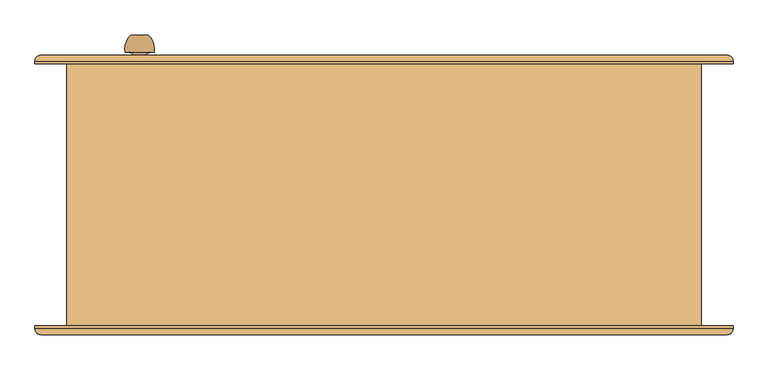
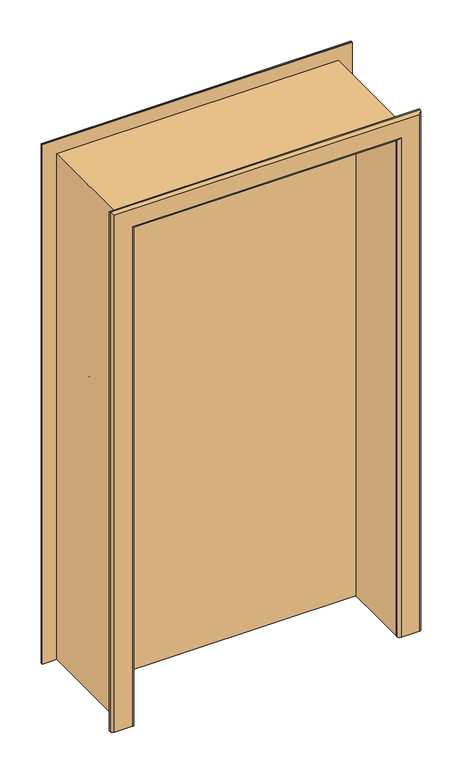
"""IFC4 building model written with IfcOpenShell, lengths in millimetres: door geometry."""

import ifcopenshell
import ifcopenshell.guid

model = None  # the IFC model being written
_history = None  # IfcOwnerHistory: only IFC2X3 demands one
_inside = {}  # id of a spatial element -> (the spatial element, [elements in it])
_under = {}  # id of a project, library or spatial element -> (it, [spatial elements below it])
_declared = {}  # id of a project -> (the project, [libraries it declares])
_typed = {}  # id of a type object -> (the type object, [elements of that type])
_made_of = {}  # id of a material, layer set ... -> (it, [elements and type objects made of it])


def new_model(schema):
    """Start an empty IFC model of exactly this schema.

    Asked for "IFC4X3", IfcOpenShell would pick the latest addendum, in which some entities
    have other attributes; the version numbers below select the first issue.
    IFC2X3 requires an IfcOwnerHistory on every rooted entity: one is made here for all.
    """
    global model, _history
    if schema == "IFC4X3":
        model = ifcopenshell.file(schema_version=(4, 3, 0, 0))
    else:
        model = ifcopenshell.file(schema=schema)
    _inside.clear()
    _under.clear()
    _declared.clear()
    _typed.clear()
    _made_of.clear()
    _history = None
    if model.schema == "IFC2X3":
        org = make("IfcOrganization", Name="unknown")
        user = make(
            "IfcPersonAndOrganization",
            ThePerson=make("IfcPerson", FamilyName="unknown"),
            TheOrganization=org,
        )
        app = make(
            "IfcApplication",
            ApplicationDeveloper=org,
            Version="unknown",
            ApplicationFullName="unknown",
            ApplicationIdentifier="unknown",
        )
        _history = make(
            "IfcOwnerHistory",
            OwningUser=user,
            OwningApplication=app,
            ChangeAction="ADDED",
            CreationDate=0,
        )
    return model


def make(cls, **values):
    """One entity of the class cls with the attributes given. An attribute that is None is left unset."""
    return model.create_entity(
        cls, **{name: value for name, value in values.items() if value is not None}
    )


def rooted(cls, **values):
    """An entity with a GlobalId (a new one), such as an element, a storey or a relation."""
    return make(cls, GlobalId=ifcopenshell.guid.new(), OwnerHistory=_history, **values)


def si_unit(unit_type, name, prefix=None):
    """IfcSIUnit, for example si_unit("LENGTHUNIT", "METRE", prefix="MILLI")."""
    return make("IfcSIUnit", UnitType=unit_type, Prefix=prefix, Name=name)


def assignment(units):
    """IfcUnitAssignment: the units of a project."""
    return None if units is None else make("IfcUnitAssignment", Units=units)


def point(xyz):
    """IfcCartesianPoint."""
    return None if xyz is None else make("IfcCartesianPoint", Coordinates=xyz)


def direction(xyz):
    """IfcDirection."""
    return None if xyz is None else make("IfcDirection", DirectionRatios=xyz)


def frame(location, z_axis=None, x_axis=None):
    """IfcAxis2Placement3D, a coordinate frame: its origin and axes. An axis left out is left unset."""
    return make(
        "IfcAxis2Placement3D",
        Location=point(location),
        Axis=direction(z_axis),
        RefDirection=direction(x_axis),
    )


def origin():
    """The frame at (0, 0, 0) with its axes left unset."""
    return frame((0.0, 0.0, 0.0))


def place(relative_to, where):
    """IfcLocalPlacement: puts the frame where relative to a parent placement (None: the world)."""
    return make(
        "IfcLocalPlacement", PlacementRelTo=relative_to, RelativePlacement=where
    )


def context(
    kind, dimensions, precision=None, world=None, true_north=None, identifier=None
):
    """IfcGeometricRepresentationContext, for example the 3D "Model" context."""
    return make(
        "IfcGeometricRepresentationContext",
        ContextIdentifier=identifier,
        ContextType=kind,
        CoordinateSpaceDimension=dimensions,
        Precision=precision,
        WorldCoordinateSystem=world,
        TrueNorth=true_north,
    )


def project(units=None, contexts=None):
    """IfcProject with its units and contexts."""
    return rooted(
        "IfcProject",
        Name="project",
        RepresentationContexts=contexts,
        UnitsInContext=assignment(units),
    )


def spatial(cls, under=None, at=None, **own):
    """A site, building, storey or space (cls), placed at a placement, below another one or the project."""
    s = rooted(cls, ObjectPlacement=at, **own)
    if under is not None:
        _under.setdefault(under.id(), (under, []))[1].append(s)
    return s


def polyline(points):
    """IfcPolyline through the points."""
    return make("IfcPolyline", Points=[point(p) for p in points])


def circle_curve(where, radius):
    """IfcCircle in the frame where."""
    return make("IfcCircle", Position=where, Radius=radius)


def ellipse_curve(where, semi_axis1, semi_axis2):
    """IfcEllipse in the frame where."""
    return make(
        "IfcEllipse", Position=where, SemiAxis1=semi_axis1, SemiAxis2=semi_axis2
    )


def trimmed(basis, trim1, trim2, sense, master):
    """IfcTrimmedCurve: the piece of a basis curve between two trims."""
    return make(
        "IfcTrimmedCurve",
        BasisCurve=basis,
        Trim1=trim1,
        Trim2=trim2,
        SenseAgreement=sense,
        MasterRepresentation=master,
    )


def outline(outer, holes=None, kind="AREA"):
    """IfcArbitraryClosedProfileDef: a profile drawn as a closed curve; with holes, ...WithVoids."""
    if holes is None:
        return make("IfcArbitraryClosedProfileDef", ProfileType=kind, OuterCurve=outer)
    return make(
        "IfcArbitraryProfileDefWithVoids",
        ProfileType=kind,
        OuterCurve=outer,
        InnerCurves=holes,
    )


def extrude(swept, where, along, depth):
    """IfcExtrudedAreaSolid: the profile swept, set in the frame where, extruded along a direction by depth."""
    return make(
        "IfcExtrudedAreaSolid",
        SweptArea=swept,
        Position=where,
        ExtrudedDirection=direction(along),
        Depth=depth,
    )


def faces_of(points, faces, orient=None, outer=None):
    """IfcFace entities. A face is a list of loops; a loop is a list of indices into points, from 0.

    orient and outer hold one flag for each loop. By default every Orientation is true, the
    first loop of a face is its IfcFaceOuterBound and the others are IfcFaceBound.
    """
    made = []
    for i, loops in enumerate(faces):
        bounds = []
        for j, loop in enumerate(loops):
            is_outer = j == 0 if outer is None else outer[i][j]
            bounds.append(
                make(
                    "IfcFaceOuterBound" if is_outer else "IfcFaceBound",
                    Bound=make("IfcPolyLoop", Polygon=[points[k] for k in loop]),
                    Orientation=True if orient is None else orient[i][j],
                )
            )
        made.append(make("IfcFace", Bounds=bounds))
    return made


def faceted_brep(points, faces, orient=None, outer=None, voids=None):
    """IfcFacetedBrep: a solid bounded by flat faces; with voids (closed shells), ...WithVoids."""
    shared = [point(p) for p in points]
    hull = make("IfcClosedShell", CfsFaces=faces_of(shared, faces, orient, outer))
    if voids is None:
        return make("IfcFacetedBrep", Outer=hull)
    return make(
        "IfcFacetedBrepWithVoids",
        Outer=hull,
        Voids=[
            make(cls, CfsFaces=faces_of(shared, fs, o, b)) for cls, fs, o, b in voids
        ],
    )


def shape(context_of_items, identifier, shape_type, items):
    """IfcShapeRepresentation: the items that make up one representation, for example the "Body"."""
    return make(
        "IfcShapeRepresentation",
        ContextOfItems=context_of_items,
        RepresentationIdentifier=identifier,
        RepresentationType=shape_type,
        Items=items,
    )


def source(mapping_origin, context_of_items, identifier, shape_type, items):
    """IfcRepresentationMap: a shape defined once, which mapped items show again and again."""
    return make(
        "IfcRepresentationMap",
        MappingOrigin=mapping_origin,
        MappedRepresentation=shape(context_of_items, identifier, shape_type, items),
    )


def transform(
    local_origin,
    x_axis=None,
    y_axis=None,
    z_axis=None,
    scale=None,
    scale2=None,
    scale3=None,
    uniform=True,
):
    """IfcCartesianTransformationOperator3D, or its non-uniform kind. x_axis, y_axis, z_axis: its Axis1, 2, 3."""
    if uniform:
        return make(
            "IfcCartesianTransformationOperator3D",
            Axis1=direction(x_axis),
            Axis2=direction(y_axis),
            LocalOrigin=point(local_origin),
            Scale=scale,
            Axis3=direction(z_axis),
        )
    return make(
        "IfcCartesianTransformationOperator3DnonUniform",
        Axis1=direction(x_axis),
        Axis2=direction(y_axis),
        LocalOrigin=point(local_origin),
        Scale=scale,
        Axis3=direction(z_axis),
        Scale2=scale2,
        Scale3=scale3,
    )


def mapped(mapping_source, mapping_target):
    """IfcMappedItem: shows the shape of a source again, moved by a transform."""
    return make(
        "IfcMappedItem", MappingSource=mapping_source, MappingTarget=mapping_target
    )


def made_of(thing, what):
    """Note that an element or type object is made of a material, layer set ...; save() writes the relation."""
    if what is not None:
        _made_of.setdefault(what.id(), (what, []))[1].append(thing)
    return thing


def element(
    cls,
    number,
    at=None,
    inside=None,
    cuts=None,
    type_object=None,
    material=None,
    context=None,
    identifier="Body",
    shape_type=None,
    held_by="IfcProductDefinitionShape",
    body=None,
    shapes=None,
    **own,
):
    """One element of the class cls, such as IfcWall. Its Tag is "e" and its number.

    at: its placement. inside: the storey or other place that contains it. cuts: it is an
    opening in that element (IfcRelVoidsElement). A single representation is given by context,
    identifier, shape_type and body (its items); several are given by shapes. held_by: the class
    of the entity that holds the representations. save() writes the other relations.
    """
    e = rooted(cls, Tag="e%d" % number, ObjectPlacement=at, **own)
    if body is not None:
        shapes = [shape(context, identifier, shape_type, body)]
    if shapes is not None:
        e.Representation = make(held_by, Representations=shapes)
    if inside is not None:
        _inside.setdefault(inside.id(), (inside, []))[1].append(e)
    if cuts is not None:
        rooted(
            "IfcRelVoidsElement", RelatingBuildingElement=cuts, RelatedOpeningElement=e
        )
    if type_object is not None:
        _typed.setdefault(type_object.id(), (type_object, []))[1].append(e)
    return made_of(e, material)


def aggregate(whole, parts):
    """IfcRelAggregates: a whole, such as a stair, and the parts it consists of."""
    return rooted("IfcRelAggregates", RelatingObject=whole, RelatedObjects=parts)


def save(model, path):
    """Write the relations noted so far, then the file.

    IfcRelAggregates (storeys below a building ...), IfcRelContainedInSpatialStructure (elements
    in a storey), IfcRelDefinesByType, IfcRelAssociatesMaterial and IfcRelDeclares: one each for
    every whole, place, type object, material and project.
    """
    for whole, parts in _under.values():
        aggregate(whole, parts)
    for where, things in _inside.values():
        rooted(
            "IfcRelContainedInSpatialStructure",
            RelatedElements=things,
            RelatingStructure=where,
        )
    for kind, things in _typed.values():
        rooted("IfcRelDefinesByType", RelatedObjects=things, RelatingType=kind)
    for what, things in _made_of.values():
        rooted("IfcRelAssociatesMaterial", RelatedObjects=things, RelatingMaterial=what)
    for by, libraries in _declared.values():
        rooted("IfcRelDeclares", RelatingContext=by, RelatedDefinitions=libraries)
    model.write(path)


def plane_surface(at):
    """IfcPlane: the flat surface through the origin of the frame at, square to its z axis."""
    return make("IfcPlane", Position=at)


def cylinder_surface(at, radius):
    """IfcCylindricalSurface: all points at the distance radius from the z axis of the frame at."""
    return make("IfcCylindricalSurface", Position=at, Radius=radius)


def revolved_surface(curve, axis_point, axis_direction):
    """IfcSurfaceOfRevolution: the curve turned about the line through axis_point along axis_direction."""
    return make(
        "IfcSurfaceOfRevolution",
        SweptCurve=make("IfcArbitraryOpenProfileDef", ProfileType="CURVE", Curve=curve),
        AxisPosition=make("IfcAxis1Placement", Location=point(axis_point), Axis=direction(axis_direction)),
    )


def advanced_brep(points, edges, surfaces, faces):
    """IfcAdvancedBrep: a solid bounded by faces that lie on surfaces and meet in shared edges.

    An edge is (start, end): straight between two places in points (the first is 0);
    or (start, end, curve); or (start, end, curve, False) where it runs against its curve.
    A face is (place in surfaces, loops), or (place, loops, False) where it looks against
    its surface's normal. A loop lists edges by number (the first is 1), with a minus sign
    where the edge is run from its end to its start. The first loop is the outer one.
    """
    corners = [point(p) for p in points]
    vertices = [make("IfcVertexPoint", VertexGeometry=c) for c in corners]
    made = []
    for start, end, *more in edges:
        made.append(
            make(
                "IfcEdgeCurve",
                EdgeStart=vertices[start],
                EdgeEnd=vertices[end],
                EdgeGeometry=more[0] if more else make("IfcPolyline", Points=[corners[start], corners[end]]),
                SameSense=more[1] if len(more) > 1 else True,
            )
        )
    hull = []
    for where, loops, *sense in faces:
        bounds = []
        for j, loop in enumerate(loops):
            ring = [make("IfcOrientedEdge", EdgeElement=made[abs(k) - 1], Orientation=k > 0) for k in loop]
            bounds.append(
                make(
                    "IfcFaceOuterBound" if j == 0 else "IfcFaceBound",
                    Bound=make("IfcEdgeLoop", EdgeList=ring),
                    Orientation=True,
                )
            )
        hull.append(make("IfcAdvancedFace", Bounds=bounds, FaceSurface=surfaces[where], SameSense=sense[0] if sense else True))
    return make("IfcAdvancedBrep", Outer=make("IfcClosedShell", CfsFaces=hull))


def door_a1458621(model_context):
    return source(origin(), model_context, "Body", "SolidModel", [
        advanced_brep(
        [(-455.0, -22.0, 1100.0), (-440.0, -22.0, 1100.0), (-425.0, -22.0, 1100.0), (-415.0, 8.0, 1100.0), (-465.0, 8.0, 1100.0), (-422.0, 8.0, 1100.0), (-458.0, 8.0, 1100.0), (-430.0, 16.0, 1100.0), (-450.0, 16.0, 1100.0), (-430.0, 22.0, 1100.0), (-450.0, 22.0, 1100.0), (-410.0, 22.0, 1100.0), (-470.0, 22.0, 1100.0), (-410.0, 28.0, 1100.0), (-470.0, 28.0, 1100.0)],
        [
            (0, 1),
            (1, 2),
            (2, 0, circle_curve(frame((-440.0, -22.0, 1100.0), z_axis=(0.0, -1.0, 0.0), x_axis=(1.0, 0.0, 0.0)), 15.0)),
            (0, 2, circle_curve(frame((-440.0, -22.0, 1100.0), z_axis=(0.0, -1.0, 0.0), x_axis=(1.0, 0.0, 0.0)), 15.0)),
            (2, 3, circle_curve(frame((-449.6226265, 2.8742088, 1100.0), z_axis=(0.0, 0.0, 1.0), x_axis=(-1.0, 0.0, 0.0)), 35.0)),
            (3, 4, circle_curve(frame((-440.0, 8.0, 1100.0), z_axis=(0.0, -1.0, 0.0), x_axis=(1.0, 0.0, 0.0)), 25.0)),
            (4, 0, circle_curve(frame((-430.3773735, 2.8742088, 1100.0), z_axis=(0.0, 0.0, 1.0), x_axis=(1.0, 0.0, 0.0)), 35.0)),
            (4, 3, circle_curve(frame((-440.0, 8.0, 1100.0), z_axis=(0.0, -1.0, 0.0), x_axis=(1.0, 0.0, 0.0)), 25.0)),
            (3, 5),
            (5, 6, circle_curve(frame((-440.0, 8.0, 1100.0), z_axis=(0.0, -1.0, 0.0), x_axis=(1.0, 0.0, 0.0)), 18.0)),
            (6, 4),
            (6, 5, circle_curve(frame((-440.0, 8.0, 1100.0), z_axis=(0.0, -1.0, 0.0), x_axis=(1.0, 0.0, 0.0)), 18.0)),
            (5, 7, circle_curve(frame((-422.0, 16.0, 1100.0), z_axis=(0.0, 0.0, -1.0), x_axis=(-1.0, 0.0, 0.0)), 8.0)),
            (7, 8, circle_curve(frame((-440.0, 16.0, 1100.0), z_axis=(0.0, -1.0, 0.0), x_axis=(1.0, 0.0, 0.0)), 10.0)),
            (8, 6, circle_curve(frame((-458.0, 16.0, 1100.0), z_axis=(0.0, 0.0, -1.0), x_axis=(1.0, 0.0, 0.0)), 8.0)),
            (8, 7, circle_curve(frame((-440.0, 16.0, 1100.0), z_axis=(0.0, -1.0, 0.0), x_axis=(1.0, 0.0, 0.0)), 10.0)),
            (7, 9),
            (9, 10, circle_curve(frame((-440.0, 22.0, 1100.0), z_axis=(0.0, -1.0, 0.0), x_axis=(1.0, 0.0, 0.0)), 10.0)),
            (10, 8),
            (10, 9, circle_curve(frame((-440.0, 22.0, 1100.0), z_axis=(0.0, -1.0, 0.0), x_axis=(1.0, 0.0, 0.0)), 10.0)),
            (11, 12, circle_curve(frame((-440.0, 22.0, 1100.0), z_axis=(0.0, -1.0, 0.0), x_axis=(-1.0, 0.0, 0.0)), 30.0)),
            (12, 11, circle_curve(frame((-440.0, 22.0, 1100.0), z_axis=(0.0, -1.0, 0.0), x_axis=(-1.0, 0.0, 0.0)), 30.0)),
            (13, 14, circle_curve(frame((-440.0, 28.0, 1100.0), z_axis=(0.0, 1.0, 0.0), x_axis=(-1.0, 0.0, 0.0)), 30.0)),
            (14, 13, circle_curve(frame((-440.0, 28.0, 1100.0), z_axis=(0.0, 1.0, 0.0), x_axis=(-1.0, 0.0, 0.0)), 30.0)),
            (12, 14),
            (13, 11),
        ],
        [
            plane_surface(frame((-440.0, -22.0, 1100.0), z_axis=(0.0, -1.0, 0.0), x_axis=(1.0, 0.0, 0.0))),
            revolved_surface(trimmed(ellipse_curve(frame((-449.6226265, 2.8742088, 1100.0), z_axis=(0.0, 0.0, 1.0), x_axis=(-1.0, 0.0, 0.0)), 35.0, 35.0), [point((-425.0, -22.0, 1100.0))], [point((-415.0, 8.0, 1100.0))], True, "CARTESIAN"), (-440.0, -52.0, 1100.0), (0.0, 1.0, 0.0)),
            plane_surface(frame((-440.0, 8.0, 1100.0), z_axis=(0.0, 1.0, 0.0), x_axis=(1.0, 0.0, 0.0))),
            revolved_surface(trimmed(ellipse_curve(frame((-422.0, 16.0, 1100.0), z_axis=(0.0, 0.0, -1.0), x_axis=(-1.0, 0.0, 0.0)), 8.0, 8.0), [point((-422.0, 8.0, 1100.0))], [point((-430.0, 16.0, 1100.0))], True, "CARTESIAN"), (-440.0, -52.0, 1100.0), (0.0, 1.0, 0.0)),
            cylinder_surface(frame((-440.0, -52.0, 1100.0), z_axis=(0.0, 1.0, 0.0), x_axis=(1.0, 0.0, 0.0)), 10.0),
            plane_surface(frame((-470.0, 22.0, 1100.0), z_axis=(0.0, -1.0, 0.0), x_axis=(0.0, 0.0, 1.0))),
            plane_surface(frame((-470.0, 28.0, 1100.0), z_axis=(0.0, 1.0, 0.0), x_axis=(0.0, 0.0, -1.0))),
            cylinder_surface(frame((-440.0, 28.0, 1100.0), z_axis=(0.0, -1.0, 0.0), x_axis=(-1.0, 0.0, 0.0)), 30.0),
        ],
        [
            (0, [[1, 2, 3]]),
            (0, [[-1, 4, -2]]),
            (1, [[5, 6, 7, -3]]),
            (1, [[-7, 8, -5, -4]]),
            (2, [[9, 10, 11, -6]]),
            (2, [[-11, 12, -9, -8]]),
            (3, [[13, 14, 15, -10]]),
            (3, [[-15, 16, -13, -12]]),
            (4, [[17, 18, 19, -14]]),
            (4, [[-19, 20, -17, -16]]),
            (5, [[21, 22], [-20, -18]]),
            (6, [[23, 24]]),
            (7, [[25, -23, 26, -22]]),
            (7, [[-26, -24, -25, -21]]),
        ],
    ),
        advanced_brep(
        [(-425.0, 275.0, 1100.0), (-440.0, 275.0, 1100.0), (-455.0, 275.0, 1100.0), (-465.0, 245.0, 1100.0), (-415.0, 245.0, 1100.0), (-458.0, 245.0, 1100.0), (-422.0, 245.0, 1100.0), (-450.0, 237.0, 1100.0), (-430.0, 237.0, 1100.0), (-450.0, 231.0, 1100.0), (-430.0, 231.0, 1100.0), (-470.0, 231.0, 1100.0), (-410.0, 231.0, 1100.0), (-470.0, 225.0, 1100.0), (-410.0, 225.0, 1100.0)],
        [
            (0, 1),
            (1, 2),
            (2, 0, circle_curve(frame((-440.0, 275.0, 1100.0), z_axis=(0.0, 1.0, 0.0), x_axis=(-1.0, 0.0, 0.0)), 15.0)),
            (0, 2, circle_curve(frame((-440.0, 275.0, 1100.0), z_axis=(0.0, 1.0, 0.0), x_axis=(-1.0, 0.0, 0.0)), 15.0)),
            (2, 3, circle_curve(frame((-430.3773735, 250.1257912, 1100.0), z_axis=(0.0, 0.0, 1.0), x_axis=(1.0, 0.0, 0.0)), 35.0)),
            (3, 4, circle_curve(frame((-440.0, 245.0, 1100.0), z_axis=(0.0, 1.0, 0.0), x_axis=(-1.0, 0.0, 0.0)), 25.0)),
            (4, 0, circle_curve(frame((-449.6226265, 250.1257912, 1100.0), z_axis=(0.0, 0.0, 1.0), x_axis=(-1.0, 0.0, 0.0)), 35.0)),
            (4, 3, circle_curve(frame((-440.0, 245.0, 1100.0), z_axis=(0.0, 1.0, 0.0), x_axis=(-1.0, 0.0, 0.0)), 25.0)),
            (3, 5),
            (5, 6, circle_curve(frame((-440.0, 245.0, 1100.0), z_axis=(0.0, 1.0, 0.0), x_axis=(-1.0, 0.0, 0.0)), 18.0)),
            (6, 4),
            (6, 5, circle_curve(frame((-440.0, 245.0, 1100.0), z_axis=(0.0, 1.0, 0.0), x_axis=(-1.0, 0.0, 0.0)), 18.0)),
            (5, 7, circle_curve(frame((-458.0, 237.0, 1100.0), z_axis=(0.0, 0.0, -1.0), x_axis=(1.0, 0.0, 0.0)), 8.0)),
            (7, 8, circle_curve(frame((-440.0, 237.0, 1100.0), z_axis=(0.0, 1.0, 0.0), x_axis=(-1.0, 0.0, 0.0)), 10.0)),
            (8, 6, circle_curve(frame((-422.0, 237.0, 1100.0), z_axis=(0.0, 0.0, -1.0), x_axis=(-1.0, 0.0, 0.0)), 8.0)),
            (8, 7, circle_curve(frame((-440.0, 237.0, 1100.0), z_axis=(0.0, 1.0, 0.0), x_axis=(-1.0, 0.0, 0.0)), 10.0)),
            (7, 9),
            (9, 10, circle_curve(frame((-440.0, 231.0, 1100.0), z_axis=(0.0, 1.0, 0.0), x_axis=(-1.0, 0.0, 0.0)), 10.0)),
            (10, 8),
            (10, 9, circle_curve(frame((-440.0, 231.0, 1100.0), z_axis=(0.0, 1.0, 0.0), x_axis=(-1.0, 0.0, 0.0)), 10.0)),
            (11, 12, circle_curve(frame((-440.0, 231.0, 1100.0), z_axis=(0.0, 1.0, 0.0), x_axis=(1.0, 0.0, 0.0)), 30.0)),
            (12, 11, circle_curve(frame((-440.0, 231.0, 1100.0), z_axis=(0.0, 1.0, 0.0), x_axis=(1.0, 0.0, 0.0)), 30.0)),
            (13, 14, circle_curve(frame((-440.0, 225.0, 1100.0), z_axis=(0.0, -1.0, 0.0), x_axis=(1.0, 0.0, 0.0)), 30.0)),
            (14, 13, circle_curve(frame((-440.0, 225.0, 1100.0), z_axis=(0.0, -1.0, 0.0), x_axis=(1.0, 0.0, 0.0)), 30.0)),
            (12, 14),
            (13, 11),
        ],
        [
            plane_surface(frame((-440.0, 275.0, 1100.0), z_axis=(0.0, 1.0, 0.0), x_axis=(-1.0, 0.0, 0.0))),
            revolved_surface(trimmed(ellipse_curve(frame((-430.3773735, 250.1257912, 1100.0), z_axis=(0.0, 0.0, 1.0), x_axis=(1.0, 0.0, 0.0)), 35.0, 35.0), [point((-455.0, 275.0, 1100.0))], [point((-465.0, 245.0, 1100.0))], True, "CARTESIAN"), (-440.0, 305.0, 1100.0), (0.0, -1.0, 0.0)),
            plane_surface(frame((-440.0, 245.0, 1100.0), z_axis=(0.0, -1.0, 0.0), x_axis=(-1.0, 0.0, 0.0))),
            revolved_surface(trimmed(ellipse_curve(frame((-458.0, 237.0, 1100.0), z_axis=(0.0, 0.0, -1.0), x_axis=(1.0, 0.0, 0.0)), 8.0, 8.0), [point((-458.0, 245.0, 1100.0))], [point((-450.0, 237.0, 1100.0))], True, "CARTESIAN"), (-440.0, 305.0, 1100.0), (0.0, -1.0, 0.0)),
            cylinder_surface(frame((-440.0, 305.0, 1100.0), z_axis=(0.0, -1.0, 0.0), x_axis=(-1.0, 0.0, 0.0)), 10.0),
            plane_surface(frame((-410.0, 231.0, 1100.0), z_axis=(0.0, 1.0, 0.0), x_axis=(0.0, 0.0, 1.0))),
            plane_surface(frame((-410.0, 225.0, 1100.0), z_axis=(0.0, -1.0, 0.0), x_axis=(0.0, 0.0, -1.0))),
            cylinder_surface(frame((-440.0, 225.0, 1100.0), z_axis=(0.0, 1.0, 0.0), x_axis=(1.0, 0.0, 0.0)), 30.0),
        ],
        [
            (0, [[1, 2, 3]]),
            (0, [[-1, 4, -2]]),
            (1, [[5, 6, 7, -3]]),
            (1, [[-7, 8, -5, -4]]),
            (2, [[9, 10, 11, -6]]),
            (2, [[-11, 12, -9, -8]]),
            (3, [[13, 14, 15, -10]]),
            (3, [[-15, 16, -13, -12]]),
            (4, [[17, 18, 19, -14]]),
            (4, [[-19, 20, -17, -16]]),
            (5, [[21, 22], [-20, -18]]),
            (6, [[23, 24]]),
            (7, [[25, -23, 26, -22]]),
            (7, [[-26, -24, -25, -21]]),
        ],
    ),
        faceted_brep([(480.0, 33.0, 2025.0), (-520.0, 33.0, 2025.0), (-520.0, 28.0, 2025.0), (480.0, 28.0, 2025.0), (-520.0, 33.0, 15.0), (-500.0, 33.0, 15.0), (-500.0, 68.0, 15.0), (460.0, 68.0, 15.0), (460.0, 33.0, 15.0), (480.0, 33.0, 15.0), (480.0, 28.0, 15.0), (-520.0, 28.0, 15.0), (460.0, 33.0, 2005.0), (-500.0, 33.0, 2005.0), (460.0, 68.0, 2005.0), (-500.0, 68.0, 2005.0)], [[[0, 1, 2, 3]], [[4, 5, 6, 7, 8, 9, 10, 11]], [[2, 1, 4, 11]], [[3, 2, 11, 10]], [[0, 3, 10, 9]], [[0, 9, 8, 12, 13, 5, 4, 1]], [[8, 7, 14, 12]], [[7, 6, 15, 14]], [[6, 5, 13, 15]], [[13, 12, 14, 15]]]),
        faceted_brep([(445.0, 225.0, 0.0), (505.0, 225.0, 0.0), (505.0, 185.0, 0.0), (465.0, 185.0, 0.0), (465.0, 220.0, 0.0), (445.0, 220.0, 0.0), (445.0, 220.0, 1990.0), (445.0, 225.0, 1990.0), (465.0, 220.0, 2010.0), (-505.0, 220.0, 2010.0), (-505.0, 220.0, 0.0), (-485.0, 220.0, 0.0), (-485.0, 220.0, 1990.0), (465.0, 185.0, 2010.0), (505.0, 185.0, 2050.0), (-545.0, 185.0, 2050.0), (-545.0, 185.0, 0.0), (-505.0, 185.0, 0.0), (-505.0, 185.0, 2010.0), (505.0, 225.0, 2050.0), (-485.0, 225.0, 1990.0), (-485.0, 225.0, 0.0), (-545.0, 225.0, 0.0), (-545.0, 225.0, 2050.0)], [[[0, 1, 2, 3, 4, 5]], [[5, 6, 7, 0]], [[4, 8, 9, 10, 11, 12, 6, 5]], [[3, 13, 8, 4]], [[2, 14, 15, 16, 17, 18, 13, 3]], [[1, 19, 14, 2]], [[0, 7, 20, 21, 22, 23, 19, 1]], [[12, 11, 21, 20]], [[21, 11, 10, 17, 16, 22]], [[18, 17, 10, 9]], [[23, 22, 16, 15]], [[6, 12, 20, 7]], [[13, 18, 9, 8]], [[19, 23, 15, 14]]]),
        extrude(outline(polyline([(0.0, 505.0), (2050.0, 505.0), (2050.0, -545.0), (0.0, -545.0), (0.0, -530.0), (2035.0, -530.0), (2035.0, 490.0), (0.0, 490.0), (0.0, 505.0)])), frame((0.0, -225.0, 0.0), z_axis=(0.0, 1.0, 0.0), x_axis=(0.0, 0.0, 1.0)), (0.0, 0.0, 1.0), 410.0),
        faceted_brep([(525.0, 225.0, 0.0), (525.0, -225.0, 0.0), (505.0, -225.0, 0.0), (505.0, 185.0, 0.0), (505.0, 225.0, 0.0), (505.0, 225.0, 2050.0), (-545.0, 225.0, 2050.0), (-545.0, 225.0, 0.0), (-565.0, 225.0, 0.0), (-565.0, 225.0, 2070.0), (525.0, 225.0, 2070.0), (505.0, -225.0, 2050.0), (505.0, 185.0, 2050.0), (525.0, -225.0, 2070.0), (-565.0, -225.0, 2070.0), (-565.0, -225.0, 0.0), (-545.0, -225.0, 0.0), (-545.0, -225.0, 2050.0), (-545.0, 185.0, 2050.0), (-545.0, 185.0, 0.0)], [[[0, 1, 2, 3, 4]], [[4, 5, 6, 7, 8, 9, 10, 0]], [[4, 3, 2, 11, 12, 5]], [[1, 13, 14, 15, 16, 17, 11, 2]], [[0, 10, 13, 1]], [[6, 18, 17, 16, 19, 7]], [[8, 7, 19, 16, 15]], [[9, 8, 15, 14]], [[5, 12, 11, 17, 18, 6]], [[10, 9, 14, 13]]]),
        advanced_brep(
        [(-620.0, 225.0, 0.0), (-620.0, 230.0, 0.0), (-610.0, 240.0, 0.0), (-540.0, 240.0, 0.0), (-530.0, 230.0, 0.0), (-530.0, 225.0, 0.0), (-530.0, 225.0, 2035.0), (490.0, 225.0, 2035.0), (490.0, 225.0, 0.0), (580.0, 225.0, 0.0), (580.0, 225.0, 2125.0), (-620.0, 225.0, 2125.0), (-530.0, 230.0, 2035.0), (-540.0, 240.0, 2045.0), (-610.0, 240.0, 2115.0), (570.0, 240.0, 2115.0), (570.0, 240.0, 0.0), (500.0, 240.0, 0.0), (500.0, 240.0, 2045.0), (-620.0, 230.0, 2125.0), (580.0, 230.0, 0.0), (580.0, 230.0, 2125.0), (490.0, 230.0, 0.0), (490.0, 230.0, 2035.0)],
        [
            (0, 1),
            (1, 2, circle_curve(frame((-610.0, 230.0, 0.0), z_axis=(0.0, 0.0, -1.0), x_axis=(-1.0, 0.0, 0.0)), 10.0)),
            (2, 3),
            (3, 4, circle_curve(frame((-540.0, 230.0, 0.0), z_axis=(0.0, 0.0, -1.0), x_axis=(-1.0, 0.0, 0.0)), 10.0)),
            (4, 5),
            (5, 0),
            (5, 6),
            (6, 7),
            (7, 8),
            (8, 9),
            (9, 10),
            (10, 11),
            (11, 0),
            (4, 12),
            (12, 6),
            (3, 13),
            (13, 12, ellipse_curve(frame((-540.0, 230.0, 2045.0), z_axis=(-0.7071067811865475, 0.0, -0.7071067811865475), x_axis=(0.7071067811865474, 0.0, -0.7071067811865476)), 14.1421356, 10.0)),
            (2, 14),
            (14, 15),
            (15, 16),
            (16, 17),
            (17, 18),
            (18, 13),
            (1, 19),
            (19, 14, ellipse_curve(frame((-610.0, 230.0, 2115.0), z_axis=(-0.7071067811865475, 0.0, -0.7071067811865475), x_axis=(0.7071067811865474, 0.0, -0.7071067811865476)), 14.1421356, 10.0)),
            (11, 19),
            (9, 20),
            (20, 21),
            (21, 10),
            (8, 22),
            (22, 17, circle_curve(frame((500.0, 230.0, 0.0), z_axis=(0.0, 0.0, -1.0), x_axis=(1.0, 0.0, 0.0)), 10.0)),
            (16, 20, circle_curve(frame((570.0, 230.0, 0.0), z_axis=(0.0, 0.0, -1.0), x_axis=(1.0, 0.0, 0.0)), 10.0)),
            (23, 22),
            (7, 23),
            (23, 18, ellipse_curve(frame((500.0, 230.0, 2045.0), z_axis=(0.7071067811865475, 0.0, -0.7071067811865475), x_axis=(0.7071067811865474, 0.0, 0.7071067811865476)), 14.1421356, 10.0)),
            (15, 21, ellipse_curve(frame((570.0, 230.0, 2115.0), z_axis=(0.7071067811865475, 0.0, -0.7071067811865475), x_axis=(0.7071067811865474, 0.0, 0.7071067811865476)), 14.1421356, 10.0)),
            (12, 23),
            (19, 21),
        ],
        [
            plane_surface(frame((-565.0, 225.0, 0.0), z_axis=(0.0, 0.0, -1.0), x_axis=(0.0, 1.0, 0.0))),
            plane_surface(frame((-620.0, 225.0, 0.0), z_axis=(0.0, -1.0, 0.0), x_axis=(0.0, 0.0, 1.0))),
            plane_surface(frame((-530.0, 225.0, 0.0), z_axis=(1.0, 0.0, 0.0), x_axis=(0.0, 0.0, 1.0))),
            cylinder_surface(frame((-540.0, 230.0, 0.0), z_axis=(0.0, 0.0, -1.0), x_axis=(-1.0, 0.0, 0.0)), 10.0),
            plane_surface(frame((-540.0, 240.0, 0.0), z_axis=(0.0, 1.0, 0.0), x_axis=(0.0, 0.0, 1.0))),
            cylinder_surface(frame((-610.0, 230.0, 0.0), z_axis=(0.0, 0.0, -1.0), x_axis=(-1.0, 0.0, 0.0)), 10.0),
            plane_surface(frame((-620.0, 230.0, 0.0), z_axis=(-1.0, 0.0, 0.0), x_axis=(0.0, 0.0, 1.0))),
            plane_surface(frame((580.0, 230.0, 2125.0), z_axis=(1.0, 0.0, 0.0), x_axis=(0.0, 0.0, -1.0))),
            plane_surface(frame((525.0, 225.0, 0.0), z_axis=(0.0, 0.0, -1.0), x_axis=(0.0, 1.0, 0.0))),
            plane_surface(frame((490.0, 225.0, 2035.0), z_axis=(-1.0, 0.0, 0.0), x_axis=(0.0, 0.0, -1.0))),
            cylinder_surface(frame((500.0, 230.0, 2070.0), z_axis=(0.0, 0.0, 1.0), x_axis=(1.0, 0.0, 0.0)), 10.0),
            cylinder_surface(frame((570.0, 230.0, 2070.0), z_axis=(0.0, 0.0, 1.0), x_axis=(1.0, 0.0, 0.0)), 10.0),
            plane_surface(frame((-530.0, 225.0, 2035.0), z_axis=(0.0, 0.0, -1.0), x_axis=(1.0, 0.0, 0.0))),
            cylinder_surface(frame((-565.0, 230.0, 2045.0), z_axis=(-1.0, 0.0, 0.0), x_axis=(0.0, 0.0, 1.0)), 10.0),
            cylinder_surface(frame((-565.0, 230.0, 2115.0), z_axis=(-1.0, 0.0, 0.0), x_axis=(0.0, 0.0, 1.0)), 10.0),
            plane_surface(frame((-620.0, 230.0, 2125.0), z_axis=(0.0, 0.0, 1.0), x_axis=(1.0, 0.0, 0.0))),
        ],
        [
            (0, [[1, 2, 3, 4, 5, 6]]),
            (1, [[7, 8, 9, 10, 11, 12, 13, -6]]),
            (2, [[14, 15, -7, -5]]),
            (3, [[16, 17, -14, -4]]),
            (4, [[18, 19, 20, 21, 22, 23, -16, -3]]),
            (5, [[24, 25, -18, -2]]),
            (6, [[-13, 26, -24, -1]]),
            (7, [[-11, 27, 28, 29]]),
            (8, [[-10, 30, 31, -21, 32, -27]]),
            (9, [[33, -30, -9, 34]]),
            (10, [[-22, -31, -33, 35]]),
            (11, [[-28, -32, -20, 36]]),
            (12, [[37, -34, -8, -15]]),
            (13, [[-23, -35, -37, -17]]),
            (14, [[38, -36, -19, -25]]),
            (15, [[-12, -29, -38, -26]]),
        ],
    ),
        advanced_brep(
        [(580.0, -225.0, 0.0), (580.0, -230.0, 0.0), (570.0, -240.0, 0.0), (500.0, -240.0, 0.0), (490.0, -230.0, 0.0), (490.0, -225.0, 0.0), (490.0, -225.0, 2035.0), (-530.0, -225.0, 2035.0), (-530.0, -225.0, 0.0), (-620.0, -225.0, 0.0), (-620.0, -225.0, 2125.0), (580.0, -225.0, 2125.0), (490.0, -230.0, 2035.0), (500.0, -240.0, 2045.0), (570.0, -240.0, 2115.0), (-610.0, -240.0, 2115.0), (-610.0, -240.0, 0.0), (-540.0, -240.0, 0.0), (-540.0, -240.0, 2045.0), (580.0, -230.0, 2125.0), (-620.0, -230.0, 0.0), (-620.0, -230.0, 2125.0), (-530.0, -230.0, 0.0), (-530.0, -230.0, 2035.0)],
        [
            (0, 1),
            (1, 2, circle_curve(frame((570.0, -230.0, 0.0), z_axis=(0.0, 0.0, -1.0), x_axis=(1.0, 0.0, 0.0)), 10.0)),
            (2, 3),
            (3, 4, circle_curve(frame((500.0, -230.0, 0.0), z_axis=(0.0, 0.0, -1.0), x_axis=(1.0, 0.0, 0.0)), 10.0)),
            (4, 5),
            (5, 0),
            (5, 6),
            (6, 7),
            (7, 8),
            (8, 9),
            (9, 10),
            (10, 11),
            (11, 0),
            (4, 12),
            (12, 6),
            (3, 13),
            (13, 12, ellipse_curve(frame((500.0, -230.0, 2045.0), z_axis=(0.7071067811865475, 0.0, -0.7071067811865475), x_axis=(-0.7071067811865474, 0.0, -0.7071067811865476)), 14.1421356, 10.0)),
            (2, 14),
            (14, 15),
            (15, 16),
            (16, 17),
            (17, 18),
            (18, 13),
            (1, 19),
            (19, 14, ellipse_curve(frame((570.0, -230.0, 2115.0), z_axis=(0.7071067811865475, 0.0, -0.7071067811865475), x_axis=(-0.7071067811865474, 0.0, -0.7071067811865476)), 14.1421356, 10.0)),
            (11, 19),
            (9, 20),
            (20, 21),
            (21, 10),
            (8, 22),
            (22, 17, circle_curve(frame((-540.0, -230.0, 0.0), z_axis=(0.0, 0.0, -1.0), x_axis=(-1.0, 0.0, 0.0)), 10.0)),
            (16, 20, circle_curve(frame((-610.0, -230.0, 0.0), z_axis=(0.0, 0.0, -1.0), x_axis=(-1.0, 0.0, 0.0)), 10.0)),
            (23, 22),
            (7, 23),
            (23, 18, ellipse_curve(frame((-540.0, -230.0, 2045.0), z_axis=(-0.7071067811865475, 0.0, -0.7071067811865475), x_axis=(-0.7071067811865474, 0.0, 0.7071067811865476)), 14.1421356, 10.0)),
            (15, 21, ellipse_curve(frame((-610.0, -230.0, 2115.0), z_axis=(-0.7071067811865475, 0.0, -0.7071067811865475), x_axis=(-0.7071067811865474, 0.0, 0.7071067811865476)), 14.1421356, 10.0)),
            (12, 23),
            (19, 21),
        ],
        [
            plane_surface(frame((525.0, -225.0, 0.0), z_axis=(0.0, 0.0, -1.0), x_axis=(0.0, 1.0, 0.0))),
            plane_surface(frame((580.0, -225.0, 0.0), z_axis=(0.0, 1.0, 0.0), x_axis=(0.0, 0.0, 1.0))),
            plane_surface(frame((490.0, -225.0, 0.0), z_axis=(-1.0, 0.0, 0.0), x_axis=(0.0, 0.0, 1.0))),
            cylinder_surface(frame((500.0, -230.0, 0.0), z_axis=(0.0, 0.0, -1.0), x_axis=(1.0, 0.0, 0.0)), 10.0),
            plane_surface(frame((500.0, -240.0, 0.0), z_axis=(0.0, -1.0, 0.0), x_axis=(0.0, 0.0, 1.0))),
            cylinder_surface(frame((570.0, -230.0, 0.0), z_axis=(0.0, 0.0, -1.0), x_axis=(1.0, 0.0, 0.0)), 10.0),
            plane_surface(frame((580.0, -230.0, 0.0), z_axis=(1.0, 0.0, 0.0), x_axis=(0.0, 0.0, 1.0))),
            plane_surface(frame((-620.0, -230.0, 2125.0), z_axis=(-1.0, 0.0, 0.0), x_axis=(0.0, 0.0, -1.0))),
            plane_surface(frame((-565.0, -225.0, 0.0), z_axis=(0.0, 0.0, -1.0), x_axis=(0.0, 1.0, 0.0))),
            plane_surface(frame((-530.0, -225.0, 2035.0), z_axis=(1.0, 0.0, 0.0), x_axis=(0.0, 0.0, -1.0))),
            cylinder_surface(frame((-540.0, -230.0, 2070.0), z_axis=(0.0, 0.0, 1.0), x_axis=(-1.0, 0.0, 0.0)), 10.0),
            cylinder_surface(frame((-610.0, -230.0, 2070.0), z_axis=(0.0, 0.0, 1.0), x_axis=(-1.0, 0.0, 0.0)), 10.0),
            plane_surface(frame((490.0, -225.0, 2035.0), z_axis=(0.0, 0.0, -1.0), x_axis=(-1.0, 0.0, 0.0))),
            cylinder_surface(frame((525.0, -230.0, 2045.0), z_axis=(1.0, 0.0, 0.0), x_axis=(0.0, 0.0, 1.0)), 10.0),
            cylinder_surface(frame((525.0, -230.0, 2115.0), z_axis=(1.0, 0.0, 0.0), x_axis=(0.0, 0.0, 1.0)), 10.0),
            plane_surface(frame((580.0, -230.0, 2125.0), z_axis=(0.0, 0.0, 1.0), x_axis=(-1.0, 0.0, 0.0))),
        ],
        [
            (0, [[1, 2, 3, 4, 5, 6]]),
            (1, [[7, 8, 9, 10, 11, 12, 13, -6]]),
            (2, [[14, 15, -7, -5]]),
            (3, [[16, 17, -14, -4]]),
            (4, [[18, 19, 20, 21, 22, 23, -16, -3]]),
            (5, [[24, 25, -18, -2]]),
            (6, [[-13, 26, -24, -1]]),
            (7, [[-11, 27, 28, 29]]),
            (8, [[-10, 30, 31, -21, 32, -27]]),
            (9, [[33, -30, -9, 34]]),
            (10, [[-22, -31, -33, 35]]),
            (11, [[-28, -32, -20, 36]]),
            (12, [[37, -34, -8, -15]]),
            (13, [[-23, -35, -37, -17]]),
            (14, [[38, -36, -19, -25]]),
            (15, [[-12, -29, -38, -26]]),
        ],
    ),
        extrude(outline(polyline([(480.0, 178.0), (460.0, 178.0), (460.0, 183.0), (480.0, 183.0), (480.0, 178.0)])), frame((0.0, 0.0, 15.0), z_axis=(0.0, 0.0, 1.0), x_axis=(1.0, 0.0, 0.0)), (0.0, 0.0, 1.0), 2010.0),
        extrude(outline(polyline([(-500.0, 178.0), (-520.0, 178.0), (-520.0, 183.0), (-500.0, 183.0), (-500.0, 178.0)])), frame((0.0, 0.0, 15.0), z_axis=(0.0, 0.0, 1.0), x_axis=(1.0, 0.0, 0.0)), (0.0, 0.0, 1.0), 2010.0),
    ])


if __name__ == "__main__":
    model = new_model("IFC4")
    model_context = context("Model", 3, world=origin())
    ifc_project = project(units=[si_unit("LENGTHUNIT", "METRE", prefix="MILLI")], contexts=[model_context])
    site = spatial("IfcSite", under=ifc_project)
    building = spatial("IfcBuilding", under=site)
    placement = place(None, origin())
    door_shape = door_a1458621(model_context)
    element("IfcDoor", 1, at=placement, inside=building, context=model_context, shape_type="MappedRepresentation", body=[
        mapped(door_shape, transform((0.0, 0.0, 0.0), x_axis=(1.0, 0.0, 0.0), y_axis=(0.0, 1.0, 0.0), z_axis=(0.0, 0.0, 1.0))),
    ])
    save(model, "model.ifc")
